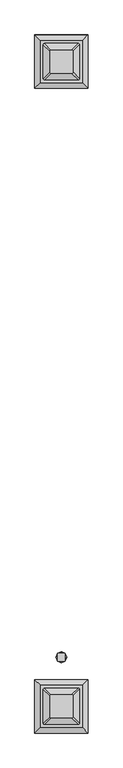
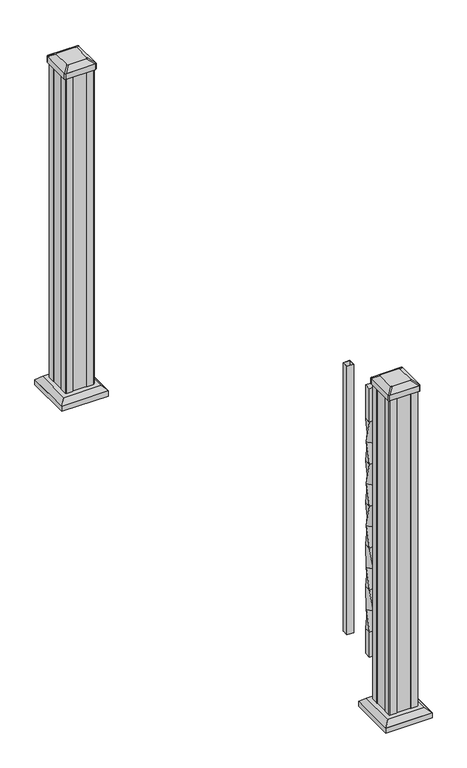
"""IFC4 building model written with IfcOpenShell, lengths in millimetres: railing geometry."""

from ifc_helpers import new_model, si_unit, point, frame, frame_2d, origin, origin_with_axes, place, context, project, spatial, polyline, circle_curve, trimmed, segment, composite_curve, outline, extrude, faceted_brep, source, transform, mapped, element, save
from ifc_brep_helpers import plane_surface, extruded_surface, spline_surface, advanced_brep


def railing_e0962681(model_context):
    return source(origin(), model_context, "Body", "SolidModel", [
        extrude(outline(polyline([(37142.2176098, 31810.4105744), (37142.2176098, 31829.4605744), (37161.2676098, 31829.4605744), (37161.2676098, 31810.4105744), (37142.2176098, 31810.4105744)]), holes=[polyline([(37142.6144848, 31810.8074494), (37160.8707348, 31810.8074494), (37160.8707348, 31829.0636994), (37142.6144848, 31829.0636994), (37142.6144848, 31810.8074494)])]), frame((0.0, 0.0, 101.5958781), z_axis=(0.0, 0.0, 1.0), x_axis=(1.0, 0.0, 0.0)), (0.0, 0.0, 1.0), 812.8041219),
        advanced_brep(
        [(37142.2176098, 31718.3355744, 812.7958781), (37142.2176098, 31699.2855744, 812.7958781), (37161.2676098, 31699.2855744, 812.7958781), (37161.2676098, 31718.3355744, 812.7958781), (37151.7426098, 31722.2809585, 749.2958781), (37165.212994, 31708.8105744, 749.2958781), (37151.7426098, 31695.3401902, 749.2958781), (37138.2722256, 31708.8105744, 749.2958781)],
        [
            (0, 1),
            (1, 2),
            (2, 3),
            (3, 0),
            (4, 5),
            (5, 6),
            (6, 7),
            (7, 4),
            (7, 1),
            (0, 4),
            (6, 2),
            (5, 3),
        ],
        [
            plane_surface(frame((37151.7426098, 31708.8105744, 812.7958781), z_axis=(0.0, 0.0, 1.0), x_axis=(1.0, 0.0, 0.0))),
            plane_surface(frame((37151.7426098, 31708.8105744, 749.2958781), z_axis=(0.0, 0.0, -1.0), x_axis=(1.0, 0.0, 0.0))),
            spline_surface(1, 1, [[(37151.7426098, 31722.2809585, 749.2958781), (37142.2176098, 31718.3355744, 812.7958781)], [(37138.2722256, 31708.8105744, 749.2958781), (37142.2176098, 31699.2855744, 812.7958781)]], [2, 2], [2, 2], [0.0, 1.0], [0.0, 1.0]),
            spline_surface(1, 1, [[(37138.2722256, 31708.8105744, 749.2958781), (37142.2176098, 31699.2855744, 812.7958781)], [(37151.7426098, 31695.3401902, 749.2958781), (37161.2676098, 31699.2855744, 812.7958781)]], [2, 2], [2, 2], [0.0, 1.0], [0.0, 1.0]),
            spline_surface(1, 1, [[(37151.7426098, 31695.3401902, 749.2958781), (37161.2676098, 31699.2855744, 812.7958781)], [(37165.212994, 31708.8105744, 749.2958781), (37161.2676098, 31718.3355744, 812.7958781)]], [2, 2], [2, 2], [0.0, 1.0], [0.0, 1.0]),
            spline_surface(1, 1, [[(37165.212994, 31708.8105744, 749.2958781), (37161.2676098, 31718.3355744, 812.7958781)], [(37151.7426098, 31722.2809585, 749.2958781), (37142.2176098, 31718.3355744, 812.7958781)]], [2, 2], [2, 2], [0.0, 1.0], [0.0, 1.0]),
        ],
        [
            (0, [[1, 2, 3, 4]]),
            (1, [[5, 6, 7, 8]]),
            (2, [[-8, 9, -1, 10]]),
            (3, [[-7, 11, -2, -9]]),
            (4, [[-6, 12, -3, -11]]),
            (5, [[-5, -10, -4, -12]]),
        ],
    ),
        advanced_brep(
        [(37138.2722256, 31708.8105744, 749.2958781), (37151.7426098, 31695.3401902, 749.2958781), (37165.212994, 31708.8105744, 749.2958781), (37151.7426098, 31722.2809585, 749.2958781), (37142.2176098, 31699.2855744, 685.7958781), (37142.2176098, 31718.3355744, 685.7958781), (37161.2676098, 31718.3355744, 685.7958781), (37161.2676098, 31699.2855744, 685.7958781)],
        [
            (0, 1),
            (1, 2),
            (2, 3),
            (3, 0),
            (4, 5),
            (5, 6),
            (6, 7),
            (7, 4),
            (7, 1),
            (0, 4),
            (6, 2),
            (5, 3),
        ],
        [
            plane_surface(frame((37151.7426098, 31708.8105744, 749.2958781), z_axis=(0.0, 0.0, 1.0), x_axis=(-0.7071067811865475, -0.7071067811865476, 0.0))),
            plane_surface(frame((37151.7426098, 31708.8105744, 685.7958781), z_axis=(0.0, 0.0, -1.0), x_axis=(-0.7071067811865475, -0.7071067811865476, 0.0))),
            spline_surface(1, 1, [[(37142.2176098, 31699.2855744, 685.7958781), (37138.2722256, 31708.8105744, 749.2958781)], [(37161.2676098, 31699.2855744, 685.7958781), (37151.7426098, 31695.3401902, 749.2958781)]], [2, 2], [2, 2], [0.0, 1.0], [0.0, 1.0]),
            spline_surface(1, 1, [[(37161.2676098, 31699.2855744, 685.7958781), (37151.7426098, 31695.3401902, 749.2958781)], [(37161.2676098, 31718.3355744, 685.7958781), (37165.212994, 31708.8105744, 749.2958781)]], [2, 2], [2, 2], [0.0, 1.0], [0.0, 1.0]),
            spline_surface(1, 1, [[(37161.2676098, 31718.3355744, 685.7958781), (37165.212994, 31708.8105744, 749.2958781)], [(37142.2176098, 31718.3355744, 685.7958781), (37151.7426098, 31722.2809585, 749.2958781)]], [2, 2], [2, 2], [0.0, 1.0], [0.0, 1.0]),
            spline_surface(1, 1, [[(37142.2176098, 31718.3355744, 685.7958781), (37151.7426098, 31722.2809585, 749.2958781)], [(37142.2176098, 31699.2855744, 685.7958781), (37138.2722256, 31708.8105744, 749.2958781)]], [2, 2], [2, 2], [0.0, 1.0], [0.0, 1.0]),
        ],
        [
            (0, [[1, 2, 3, 4]]),
            (1, [[5, 6, 7, 8]]),
            (2, [[-8, 9, -1, 10]]),
            (3, [[-7, 11, -2, -9]]),
            (4, [[-6, 12, -3, -11]]),
            (5, [[-5, -10, -4, -12]]),
        ],
    ),
        advanced_brep(
        [(37142.2176098, 31718.3355744, 685.7958781), (37142.2176098, 31699.2855744, 685.7958781), (37161.2676098, 31699.2855744, 685.7958781), (37161.2676098, 31718.3355744, 685.7958781), (37151.7426098, 31722.2809585, 622.2958781), (37165.212994, 31708.8105744, 622.2958781), (37151.7426098, 31695.3401902, 622.2958781), (37138.2722256, 31708.8105744, 622.2958781)],
        [
            (0, 1),
            (1, 2),
            (2, 3),
            (3, 0),
            (4, 5),
            (5, 6),
            (6, 7),
            (7, 4),
            (7, 1),
            (0, 4),
            (6, 2),
            (5, 3),
        ],
        [
            plane_surface(frame((37151.7426098, 31708.8105744, 685.7958781), z_axis=(0.0, 0.0, 1.0), x_axis=(1.0, 0.0, 0.0))),
            plane_surface(frame((37151.7426098, 31708.8105744, 622.2958781), z_axis=(0.0, 0.0, -1.0), x_axis=(1.0, 0.0, 0.0))),
            spline_surface(1, 1, [[(37151.7426098, 31722.2809585, 622.2958781), (37142.2176098, 31718.3355744, 685.7958781)], [(37138.2722256, 31708.8105744, 622.2958781), (37142.2176098, 31699.2855744, 685.7958781)]], [2, 2], [2, 2], [0.0, 1.0], [0.0, 1.0]),
            spline_surface(1, 1, [[(37138.2722256, 31708.8105744, 622.2958781), (37142.2176098, 31699.2855744, 685.7958781)], [(37151.7426098, 31695.3401902, 622.2958781), (37161.2676098, 31699.2855744, 685.7958781)]], [2, 2], [2, 2], [0.0, 1.0], [0.0, 1.0]),
            spline_surface(1, 1, [[(37151.7426098, 31695.3401902, 622.2958781), (37161.2676098, 31699.2855744, 685.7958781)], [(37165.212994, 31708.8105744, 622.2958781), (37161.2676098, 31718.3355744, 685.7958781)]], [2, 2], [2, 2], [0.0, 1.0], [0.0, 1.0]),
            spline_surface(1, 1, [[(37165.212994, 31708.8105744, 622.2958781), (37161.2676098, 31718.3355744, 685.7958781)], [(37151.7426098, 31722.2809585, 622.2958781), (37142.2176098, 31718.3355744, 685.7958781)]], [2, 2], [2, 2], [0.0, 1.0], [0.0, 1.0]),
        ],
        [
            (0, [[1, 2, 3, 4]]),
            (1, [[5, 6, 7, 8]]),
            (2, [[-8, 9, -1, 10]]),
            (3, [[-7, 11, -2, -9]]),
            (4, [[-6, 12, -3, -11]]),
            (5, [[-5, -10, -4, -12]]),
        ],
    ),
        advanced_brep(
        [(37138.2722256, 31708.8105744, 622.2958781), (37151.7426098, 31695.3401902, 622.2958781), (37165.212994, 31708.8105744, 622.2958781), (37151.7426098, 31722.2809585, 622.2958781), (37142.2176098, 31699.2855744, 558.7958781), (37142.2176098, 31718.3355744, 558.7958781), (37161.2676098, 31718.3355744, 558.7958781), (37161.2676098, 31699.2855744, 558.7958781)],
        [
            (0, 1),
            (1, 2),
            (2, 3),
            (3, 0),
            (4, 5),
            (5, 6),
            (6, 7),
            (7, 4),
            (7, 1),
            (0, 4),
            (6, 2),
            (5, 3),
        ],
        [
            plane_surface(frame((37151.7426098, 31708.8105744, 622.2958781), z_axis=(0.0, 0.0, 1.0), x_axis=(-0.7071067811865476, -0.7071067811865476, 0.0))),
            plane_surface(frame((37151.7426098, 31708.8105744, 558.7958781), z_axis=(0.0, 0.0, -1.0), x_axis=(-0.7071067811865476, -0.7071067811865476, 0.0))),
            spline_surface(1, 1, [[(37142.2176098, 31699.2855744, 558.7958781), (37138.2722256, 31708.8105744, 622.2958781)], [(37161.2676098, 31699.2855744, 558.7958781), (37151.7426098, 31695.3401902, 622.2958781)]], [2, 2], [2, 2], [0.0, 1.0], [0.0, 1.0]),
            spline_surface(1, 1, [[(37161.2676098, 31699.2855744, 558.7958781), (37151.7426098, 31695.3401902, 622.2958781)], [(37161.2676098, 31718.3355744, 558.7958781), (37165.212994, 31708.8105744, 622.2958781)]], [2, 2], [2, 2], [0.0, 1.0], [0.0, 1.0]),
            spline_surface(1, 1, [[(37161.2676098, 31718.3355744, 558.7958781), (37165.212994, 31708.8105744, 622.2958781)], [(37142.2176098, 31718.3355744, 558.7958781), (37151.7426098, 31722.2809585, 622.2958781)]], [2, 2], [2, 2], [0.0, 1.0], [0.0, 1.0]),
            spline_surface(1, 1, [[(37142.2176098, 31718.3355744, 558.7958781), (37151.7426098, 31722.2809585, 622.2958781)], [(37142.2176098, 31699.2855744, 558.7958781), (37138.2722256, 31708.8105744, 622.2958781)]], [2, 2], [2, 2], [0.0, 1.0], [0.0, 1.0]),
        ],
        [
            (0, [[1, 2, 3, 4]]),
            (1, [[5, 6, 7, 8]]),
            (2, [[-8, 9, -1, 10]]),
            (3, [[-7, 11, -2, -9]]),
            (4, [[-6, 12, -3, -11]]),
            (5, [[-5, -10, -4, -12]]),
        ],
    ),
        advanced_brep(
        [(37142.2176098, 31718.3355744, 558.7958781), (37142.2176098, 31699.2855744, 558.7958781), (37161.2676098, 31699.2855744, 558.7958781), (37161.2676098, 31718.3355744, 558.7958781), (37151.7426098, 31722.2809585, 495.2958781), (37165.212994, 31708.8105744, 495.2958781), (37151.7426098, 31695.3401902, 495.2958781), (37138.2722256, 31708.8105744, 495.2958781)],
        [
            (0, 1),
            (1, 2),
            (2, 3),
            (3, 0),
            (4, 5),
            (5, 6),
            (6, 7),
            (7, 4),
            (7, 1),
            (0, 4),
            (6, 2),
            (5, 3),
        ],
        [
            plane_surface(frame((37151.7426098, 31708.8105744, 558.7958781), z_axis=(0.0, 0.0, 1.0), x_axis=(1.0, 0.0, 0.0))),
            plane_surface(frame((37151.7426098, 31708.8105744, 495.2958781), z_axis=(0.0, 0.0, -1.0), x_axis=(1.0, 0.0, 0.0))),
            spline_surface(1, 1, [[(37151.7426098, 31722.2809585, 495.2958781), (37142.2176098, 31718.3355744, 558.7958781)], [(37138.2722256, 31708.8105744, 495.2958781), (37142.2176098, 31699.2855744, 558.7958781)]], [2, 2], [2, 2], [0.0, 1.0], [0.0, 1.0]),
            spline_surface(1, 1, [[(37138.2722256, 31708.8105744, 495.2958781), (37142.2176098, 31699.2855744, 558.7958781)], [(37151.7426098, 31695.3401902, 495.2958781), (37161.2676098, 31699.2855744, 558.7958781)]], [2, 2], [2, 2], [0.0, 1.0], [0.0, 1.0]),
            spline_surface(1, 1, [[(37151.7426098, 31695.3401902, 495.2958781), (37161.2676098, 31699.2855744, 558.7958781)], [(37165.212994, 31708.8105744, 495.2958781), (37161.2676098, 31718.3355744, 558.7958781)]], [2, 2], [2, 2], [0.0, 1.0], [0.0, 1.0]),
            spline_surface(1, 1, [[(37165.212994, 31708.8105744, 495.2958781), (37161.2676098, 31718.3355744, 558.7958781)], [(37151.7426098, 31722.2809585, 495.2958781), (37142.2176098, 31718.3355744, 558.7958781)]], [2, 2], [2, 2], [0.0, 1.0], [0.0, 1.0]),
        ],
        [
            (0, [[1, 2, 3, 4]]),
            (1, [[5, 6, 7, 8]]),
            (2, [[-8, 9, -1, 10]]),
            (3, [[-7, 11, -2, -9]]),
            (4, [[-6, 12, -3, -11]]),
            (5, [[-5, -10, -4, -12]]),
        ],
    ),
        advanced_brep(
        [(37138.2722256, 31708.8105744, 495.2958781), (37151.7426098, 31695.3401902, 495.2958781), (37165.212994, 31708.8105744, 495.2958781), (37151.7426098, 31722.2809585, 495.2958781), (37142.2176098, 31699.2855744, 431.7958781), (37142.2176098, 31718.3355744, 431.7958781), (37161.2676098, 31718.3355744, 431.7958781), (37161.2676098, 31699.2855744, 431.7958781)],
        [
            (0, 1),
            (1, 2),
            (2, 3),
            (3, 0),
            (4, 5),
            (5, 6),
            (6, 7),
            (7, 4),
            (7, 1),
            (0, 4),
            (6, 2),
            (5, 3),
        ],
        [
            plane_surface(frame((37151.7426098, 31708.8105744, 495.2958781), z_axis=(0.0, 0.0, 1.0), x_axis=(-0.7071067811865475, -0.7071067811865476, 0.0))),
            plane_surface(frame((37151.7426098, 31708.8105744, 431.7958781), z_axis=(0.0, 0.0, -1.0), x_axis=(-0.7071067811865475, -0.7071067811865476, 0.0))),
            spline_surface(1, 1, [[(37142.2176098, 31699.2855744, 431.7958781), (37138.2722256, 31708.8105744, 495.2958781)], [(37161.2676098, 31699.2855744, 431.7958781), (37151.7426098, 31695.3401902, 495.2958781)]], [2, 2], [2, 2], [0.0, 1.0], [0.0, 1.0]),
            spline_surface(1, 1, [[(37161.2676098, 31699.2855744, 431.7958781), (37151.7426098, 31695.3401902, 495.2958781)], [(37161.2676098, 31718.3355744, 431.7958781), (37165.212994, 31708.8105744, 495.2958781)]], [2, 2], [2, 2], [0.0, 1.0], [0.0, 1.0]),
            spline_surface(1, 1, [[(37161.2676098, 31718.3355744, 431.7958781), (37165.212994, 31708.8105744, 495.2958781)], [(37142.2176098, 31718.3355744, 431.7958781), (37151.7426098, 31722.2809585, 495.2958781)]], [2, 2], [2, 2], [0.0, 1.0], [0.0, 1.0]),
            spline_surface(1, 1, [[(37142.2176098, 31718.3355744, 431.7958781), (37151.7426098, 31722.2809585, 495.2958781)], [(37142.2176098, 31699.2855744, 431.7958781), (37138.2722256, 31708.8105744, 495.2958781)]], [2, 2], [2, 2], [0.0, 1.0], [0.0, 1.0]),
        ],
        [
            (0, [[1, 2, 3, 4]]),
            (1, [[5, 6, 7, 8]]),
            (2, [[-8, 9, -1, 10]]),
            (3, [[-7, 11, -2, -9]]),
            (4, [[-6, 12, -3, -11]]),
            (5, [[-5, -10, -4, -12]]),
        ],
    ),
        advanced_brep(
        [(37142.2176098, 31699.2855744, 431.7958781), (37161.2676098, 31699.2855744, 431.7958781), (37161.2676098, 31718.3355744, 431.7958781), (37142.2176098, 31718.3355744, 431.7958781), (37151.7426098, 31695.3401902, 368.2958781), (37138.2722256, 31708.8105744, 368.2958781), (37151.7426098, 31722.2809585, 368.2958781), (37165.212994, 31708.8105744, 368.2958781)],
        [
            (0, 1),
            (1, 2),
            (2, 3),
            (3, 0),
            (4, 5),
            (5, 6),
            (6, 7),
            (7, 4),
            (7, 1),
            (0, 4),
            (6, 2),
            (5, 3),
        ],
        [
            plane_surface(frame((37151.7426098, 31708.8105744, 431.7958781), z_axis=(0.0, 0.0, 1.0), x_axis=(1.0, 0.0, 0.0))),
            plane_surface(frame((37151.7426098, 31708.8105744, 368.2958781), z_axis=(0.0, 0.0, -1.0), x_axis=(1.0, 0.0, 0.0))),
            spline_surface(1, 1, [[(37151.7426098, 31695.3401902, 368.2958781), (37142.2176098, 31699.2855744, 431.7958781)], [(37165.212994, 31708.8105744, 368.2958781), (37161.2676098, 31699.2855744, 431.7958781)]], [2, 2], [2, 2], [0.0, 1.0], [0.0, 1.0]),
            spline_surface(1, 1, [[(37165.212994, 31708.8105744, 368.2958781), (37161.2676098, 31699.2855744, 431.7958781)], [(37151.7426098, 31722.2809585, 368.2958781), (37161.2676098, 31718.3355744, 431.7958781)]], [2, 2], [2, 2], [0.0, 1.0], [0.0, 1.0]),
            spline_surface(1, 1, [[(37151.7426098, 31722.2809585, 368.2958781), (37161.2676098, 31718.3355744, 431.7958781)], [(37138.2722256, 31708.8105744, 368.2958781), (37142.2176098, 31718.3355744, 431.7958781)]], [2, 2], [2, 2], [0.0, 1.0], [0.0, 1.0]),
            spline_surface(1, 1, [[(37138.2722256, 31708.8105744, 368.2958781), (37142.2176098, 31718.3355744, 431.7958781)], [(37151.7426098, 31695.3401902, 368.2958781), (37142.2176098, 31699.2855744, 431.7958781)]], [2, 2], [2, 2], [0.0, 1.0], [0.0, 1.0]),
        ],
        [
            (0, [[1, 2, 3, 4]]),
            (1, [[5, 6, 7, 8]]),
            (2, [[-8, 9, -1, 10]]),
            (3, [[-7, 11, -2, -9]]),
            (4, [[-6, 12, -3, -11]]),
            (5, [[-5, -10, -4, -12]]),
        ],
    ),
        advanced_brep(
        [(37138.2722256, 31708.8105744, 368.2958781), (37151.7426098, 31695.3401902, 368.2958781), (37165.212994, 31708.8105744, 368.2958781), (37151.7426098, 31722.2809585, 368.2958781), (37142.2176098, 31699.2855744, 304.7958781), (37142.2176098, 31718.3355744, 304.7958781), (37161.2676098, 31718.3355744, 304.7958781), (37161.2676098, 31699.2855744, 304.7958781)],
        [
            (0, 1),
            (1, 2),
            (2, 3),
            (3, 0),
            (4, 5),
            (5, 6),
            (6, 7),
            (7, 4),
            (7, 1),
            (0, 4),
            (6, 2),
            (5, 3),
        ],
        [
            plane_surface(frame((37151.7426098, 31708.8105744, 368.2958781), z_axis=(0.0, 0.0, 1.0), x_axis=(-0.7071067811865476, -0.7071067811865476, 0.0))),
            plane_surface(frame((37151.7426098, 31708.8105744, 304.7958781), z_axis=(0.0, 0.0, -1.0), x_axis=(-0.7071067811865476, -0.7071067811865476, 0.0))),
            spline_surface(1, 1, [[(37142.2176098, 31699.2855744, 304.7958781), (37138.2722256, 31708.8105744, 368.2958781)], [(37161.2676098, 31699.2855744, 304.7958781), (37151.7426098, 31695.3401902, 368.2958781)]], [2, 2], [2, 2], [0.0, 1.0], [0.0, 1.0]),
            spline_surface(1, 1, [[(37161.2676098, 31699.2855744, 304.7958781), (37151.7426098, 31695.3401902, 368.2958781)], [(37161.2676098, 31718.3355744, 304.7958781), (37165.212994, 31708.8105744, 368.2958781)]], [2, 2], [2, 2], [0.0, 1.0], [0.0, 1.0]),
            spline_surface(1, 1, [[(37161.2676098, 31718.3355744, 304.7958781), (37165.212994, 31708.8105744, 368.2958781)], [(37142.2176098, 31718.3355744, 304.7958781), (37151.7426098, 31722.2809585, 368.2958781)]], [2, 2], [2, 2], [0.0, 1.0], [0.0, 1.0]),
            spline_surface(1, 1, [[(37142.2176098, 31718.3355744, 304.7958781), (37151.7426098, 31722.2809585, 368.2958781)], [(37142.2176098, 31699.2855744, 304.7958781), (37138.2722256, 31708.8105744, 368.2958781)]], [2, 2], [2, 2], [0.0, 1.0], [0.0, 1.0]),
        ],
        [
            (0, [[1, 2, 3, 4]]),
            (1, [[5, 6, 7, 8]]),
            (2, [[-8, 9, -1, 10]]),
            (3, [[-7, 11, -2, -9]]),
            (4, [[-6, 12, -3, -11]]),
            (5, [[-5, -10, -4, -12]]),
        ],
    ),
        advanced_brep(
        [(37142.2176098, 31699.2855744, 304.7958781), (37161.2676098, 31699.2855744, 304.7958781), (37161.2676098, 31718.3355744, 304.7958781), (37142.2176098, 31718.3355744, 304.7958781), (37151.7426098, 31695.3401902, 241.2958781), (37138.2722256, 31708.8105744, 241.2958781), (37151.7426098, 31722.2809585, 241.2958781), (37165.212994, 31708.8105744, 241.2958781)],
        [
            (0, 1),
            (1, 2),
            (2, 3),
            (3, 0),
            (4, 5),
            (5, 6),
            (6, 7),
            (7, 4),
            (7, 1),
            (0, 4),
            (6, 2),
            (5, 3),
        ],
        [
            plane_surface(frame((37151.7426098, 31708.8105744, 304.7958781), z_axis=(0.0, 0.0, 1.0), x_axis=(1.0, 0.0, 0.0))),
            plane_surface(frame((37151.7426098, 31708.8105744, 241.2958781), z_axis=(0.0, 0.0, -1.0), x_axis=(1.0, 0.0, 0.0))),
            spline_surface(1, 1, [[(37151.7426098, 31695.3401902, 241.2958781), (37142.2176098, 31699.2855744, 304.7958781)], [(37165.212994, 31708.8105744, 241.2958781), (37161.2676098, 31699.2855744, 304.7958781)]], [2, 2], [2, 2], [0.0, 1.0], [0.0, 1.0]),
            spline_surface(1, 1, [[(37165.212994, 31708.8105744, 241.2958781), (37161.2676098, 31699.2855744, 304.7958781)], [(37151.7426098, 31722.2809585, 241.2958781), (37161.2676098, 31718.3355744, 304.7958781)]], [2, 2], [2, 2], [0.0, 1.0], [0.0, 1.0]),
            spline_surface(1, 1, [[(37151.7426098, 31722.2809585, 241.2958781), (37161.2676098, 31718.3355744, 304.7958781)], [(37138.2722256, 31708.8105744, 241.2958781), (37142.2176098, 31718.3355744, 304.7958781)]], [2, 2], [2, 2], [0.0, 1.0], [0.0, 1.0]),
            spline_surface(1, 1, [[(37138.2722256, 31708.8105744, 241.2958781), (37142.2176098, 31718.3355744, 304.7958781)], [(37151.7426098, 31695.3401902, 241.2958781), (37142.2176098, 31699.2855744, 304.7958781)]], [2, 2], [2, 2], [0.0, 1.0], [0.0, 1.0]),
        ],
        [
            (0, [[1, 2, 3, 4]]),
            (1, [[5, 6, 7, 8]]),
            (2, [[-8, 9, -1, 10]]),
            (3, [[-7, 11, -2, -9]]),
            (4, [[-6, 12, -3, -11]]),
            (5, [[-5, -10, -4, -12]]),
        ],
    ),
        advanced_brep(
        [(37138.2722256, 31708.8105744, 241.2958781), (37151.7426098, 31695.3401902, 241.2958781), (37165.212994, 31708.8105744, 241.2958781), (37151.7426098, 31722.2809585, 241.2958781), (37142.2176098, 31699.2855744, 177.7958781), (37142.2176098, 31718.3355744, 177.7958781), (37161.2676098, 31718.3355744, 177.7958781), (37161.2676098, 31699.2855744, 177.7958781)],
        [
            (0, 1),
            (1, 2),
            (2, 3),
            (3, 0),
            (4, 5),
            (5, 6),
            (6, 7),
            (7, 4),
            (7, 1),
            (0, 4),
            (6, 2),
            (5, 3),
        ],
        [
            plane_surface(frame((37151.7426098, 31708.8105744, 241.2958781), z_axis=(0.0, 0.0, 1.0), x_axis=(0.7071067811865472, -0.7071067811865479, 0.0))),
            plane_surface(frame((37151.7426098, 31708.8105744, 177.7958781), z_axis=(0.0, 0.0, -1.0), x_axis=(0.7071067811865472, -0.7071067811865479, 0.0))),
            spline_surface(1, 1, [[(37142.2176098, 31699.2855744, 177.7958781), (37138.2722256, 31708.8105744, 241.2958781)], [(37161.2676098, 31699.2855744, 177.7958781), (37151.7426098, 31695.3401902, 241.2958781)]], [2, 2], [2, 2], [0.0, 1.0], [0.0, 1.0]),
            spline_surface(1, 1, [[(37161.2676098, 31699.2855744, 177.7958781), (37151.7426098, 31695.3401902, 241.2958781)], [(37161.2676098, 31718.3355744, 177.7958781), (37165.212994, 31708.8105744, 241.2958781)]], [2, 2], [2, 2], [0.0, 1.0], [0.0, 1.0]),
            spline_surface(1, 1, [[(37161.2676098, 31718.3355744, 177.7958781), (37165.212994, 31708.8105744, 241.2958781)], [(37142.2176098, 31718.3355744, 177.7958781), (37151.7426098, 31722.2809585, 241.2958781)]], [2, 2], [2, 2], [0.0, 1.0], [0.0, 1.0]),
            spline_surface(1, 1, [[(37142.2176098, 31718.3355744, 177.7958781), (37151.7426098, 31722.2809585, 241.2958781)], [(37142.2176098, 31699.2855744, 177.7958781), (37138.2722256, 31708.8105744, 241.2958781)]], [2, 2], [2, 2], [0.0, 1.0], [0.0, 1.0]),
        ],
        [
            (0, [[1, 2, 3, 4]]),
            (1, [[5, 6, 7, 8]]),
            (2, [[-8, 9, -1, 10]]),
            (3, [[-7, 11, -2, -9]]),
            (4, [[-6, 12, -3, -11]]),
            (5, [[-5, -10, -4, -12]]),
        ],
    ),
        extrude(outline(polyline([(37142.2176098, 31699.2855744), (37142.2176098, 31718.3355744), (37161.2676098, 31718.3355744), (37161.2676098, 31699.2855744), (37142.2176098, 31699.2855744)])), frame((0.0, 0.0, 812.7958781), z_axis=(0.0, 0.0, 1.0), x_axis=(1.0, 0.0, 0.0)), (0.0, 0.0, 1.0), 101.6041219),
        extrude(outline(polyline([(37142.2176098, 31699.2855744), (37142.2176098, 31718.3355744), (37161.2676098, 31718.3355744), (37161.2676098, 31699.2855744), (37142.2176098, 31699.2855744)])), frame((0.0, 0.0, 101.5958781), z_axis=(0.0, 0.0, 1.0), x_axis=(1.0, 0.0, 0.0)), (0.0, 0.0, 1.0), 76.2),
        faceted_brep([(37099.1566723, 33140.5371369, 28.575), (37204.3285473, 33140.5371369, 28.575), (37204.3285473, 33245.7090119, 28.575), (37099.1566723, 33245.7090119, 28.575), (37085.1172192, 33126.4976837, 15.24), (37085.1172192, 33259.748465, 15.24), (37218.3680004, 33259.748465, 15.24), (37218.3680004, 33126.4976837, 15.24)], [[[0, 1, 2, 3]], [[4, 5, 6, 7]], [[4, 7, 1, 0]], [[7, 6, 2, 1]], [[6, 5, 3, 2]], [[5, 4, 0, 3]]]),
        extrude(outline(polyline([(37085.1172192, 33126.4976837), (37085.1172192, 33259.748465), (37218.3680004, 33259.748465), (37218.3680004, 33126.4976837), (37085.1172192, 33126.4976837)])), origin_with_axes(), (0.0, 0.0, 1.0), 15.24),
        advanced_brep(
        [(37177.5394848, 33164.1511994, 1012.825), (37180.7144848, 33167.3261994, 1012.825), (37180.7144848, 33218.9199494, 1012.825), (37177.5394848, 33222.0949494, 1012.825), (37125.9457348, 33222.0949494, 1012.825), (37122.7707348, 33218.9199494, 1012.825), (37122.7707348, 33167.3261994, 1012.825), (37125.9457348, 33164.1511994, 1012.825), (37193.8113598, 33147.8793244, 1001.522), (37109.6738598, 33147.8793244, 1001.522), (37106.4988598, 33151.0543244, 1001.522), (37106.4988598, 33235.1918244, 1001.522), (37109.6738598, 33238.3668244, 1001.522), (37193.8113598, 33238.3668244, 1001.522), (37196.9863598, 33235.1918244, 1001.522), (37196.9863598, 33151.0543244, 1001.522)],
        [
            (0, 1, circle_curve(frame((37177.5394848, 33167.3261994, 1012.825), z_axis=(0.0, 0.0, 1.0), x_axis=(0.0, 1.0, 0.0)), 3.175)),
            (1, 2),
            (2, 3, circle_curve(frame((37177.5394848, 33218.9199494, 1012.825), z_axis=(0.0, 0.0, 1.0), x_axis=(0.0, 1.0, 0.0)), 3.175)),
            (3, 4),
            (4, 5, circle_curve(frame((37125.9457348, 33218.9199494, 1012.825), z_axis=(0.0, 0.0, 1.0), x_axis=(0.0, 1.0, 0.0)), 3.175)),
            (5, 6),
            (6, 7, circle_curve(frame((37125.9457348, 33167.3261994, 1012.825), z_axis=(0.0, 0.0, 1.0), x_axis=(0.0, 1.0, 0.0)), 3.175)),
            (7, 0),
            (8, 9),
            (9, 10, circle_curve(frame((37109.6738598, 33151.0543244, 1001.522), z_axis=(0.0, 0.0, -1.0), x_axis=(0.0, 1.0, 0.0)), 3.175)),
            (10, 11),
            (11, 12, circle_curve(frame((37109.6738598, 33235.1918244, 1001.522), z_axis=(0.0, 0.0, -1.0), x_axis=(0.0, 1.0, 0.0)), 3.175)),
            (12, 13),
            (13, 14, circle_curve(frame((37193.8113598, 33235.1918244, 1001.522), z_axis=(0.0, 0.0, -1.0), x_axis=(0.0, 1.0, 0.0)), 3.175)),
            (14, 15),
            (15, 8, circle_curve(frame((37193.8113598, 33151.0543244, 1001.522), z_axis=(0.0, 0.0, -1.0), x_axis=(0.0, 1.0, 0.0)), 3.175)),
            (15, 1),
            (0, 8),
            (14, 2),
            (13, 3),
            (12, 4),
            (11, 5),
            (10, 6),
            (9, 7),
        ],
        [
            plane_surface(frame((37151.7426098, 33193.1230744, 1012.825), z_axis=(0.0, 0.0, 1.0), x_axis=(1.0, 0.0, 0.0))),
            plane_surface(frame((37151.7426098, 33193.1230744, 1001.522), z_axis=(0.0, 0.0, -1.0), x_axis=(1.0, 0.0, 0.0))),
            extruded_surface(trimmed(circle_curve(frame((37193.8113598, 33151.0543244, 1001.522), z_axis=(0.0, 0.0, 1.0), x_axis=(0.0, 1.0, 0.0)), 3.175), [point((37193.8113598, 33147.8793244, 1001.522))], [point((37196.9863598, 33151.0543244, 1001.522))], True, "CARTESIAN"), (-16.271874999998545, 16.271874999998545, 11.302999999999997), 25.637972638864316),
            plane_surface(frame((37196.9863598, 33193.1230744, 1001.522), z_axis=(0.5705009161540779, 0.0, 0.8212969649690408), x_axis=(0.0, 1.0, 0.0))),
            extruded_surface(trimmed(circle_curve(frame((37193.8113598, 33235.1918244, 1001.522), z_axis=(0.0, 0.0, 1.0), x_axis=(0.0, 1.0, 0.0)), 3.175), [point((37196.9863598, 33235.1918244, 1001.522))], [point((37193.8113598, 33238.3668244, 1001.522))], True, "CARTESIAN"), (-16.271874999998545, -16.271874999998545, 11.302999999999997), 25.637972638864316),
            plane_surface(frame((37151.7426098, 33238.3668244, 1001.522), z_axis=(0.0, 0.5705009161540291, 0.8212969649690747), x_axis=(-1.0, 0.0, 0.0))),
            extruded_surface(trimmed(circle_curve(frame((37109.6738598, 33235.1918244, 1001.522), z_axis=(0.0, 0.0, 1.0), x_axis=(0.0, 1.0, 0.0)), 3.175), [point((37109.6738598, 33238.3668244, 1001.522))], [point((37106.4988598, 33235.1918244, 1001.522))], True, "CARTESIAN"), (16.271874999998545, -16.271874999998545, 11.302999999999997), 25.637972638864316),
            plane_surface(frame((37106.4988598, 33193.1230744, 1001.522), z_axis=(-0.5705009161540141, 0.0, 0.8212969649690851), x_axis=(0.0, -1.0, 0.0))),
            extruded_surface(trimmed(circle_curve(frame((37109.6738598, 33151.0543244, 1001.522), z_axis=(0.0, 0.0, 1.0), x_axis=(0.0, 1.0, 0.0)), 3.175), [point((37106.4988598, 33151.0543244, 1001.522))], [point((37109.6738598, 33147.8793244, 1001.522))], True, "CARTESIAN"), (16.271874999998545, 16.271874999998545, 11.302999999999997), 25.637972638864316),
            plane_surface(frame((37151.7426098, 33147.8793244, 1001.522), z_axis=(0.0, -0.570500916154034, 0.8212969649690713), x_axis=(1.0, 0.0, 0.0))),
        ],
        [
            (0, [[1, 2, 3, 4, 5, 6, 7, 8]]),
            (1, [[9, 10, 11, 12, 13, 14, 15, 16]]),
            (2, [[-16, 17, -1, 18]]),
            (3, [[-15, 19, -2, -17]]),
            (4, [[-14, 20, -3, -19]]),
            (5, [[-13, 21, -4, -20]]),
            (6, [[-12, 22, -5, -21]]),
            (7, [[-11, 23, -6, -22]]),
            (8, [[-10, 24, -7, -23]]),
            (9, [[-9, -18, -8, -24]]),
        ],
    ),
        extrude(outline(composite_curve([segment(polyline([(37193.8113598, 33147.8793244), (37109.6738598, 33147.8793244)]), True, "CONTINUOUS"), segment(trimmed(circle_curve(frame_2d((37109.6738598, 33151.0543244)), 3.175), [point((37109.6738598, 33147.8793244))], [point((37106.4988598, 33151.0543244))], False, "CARTESIAN"), True, "CONTINUOUS"), segment(polyline([(37106.4988598, 33151.0543244), (37106.4988598, 33235.1918244)]), True, "CONTINUOUS"), segment(trimmed(circle_curve(frame_2d((37109.6738598, 33235.1918244)), 3.175), [point((37106.4988598, 33235.1918244))], [point((37109.6738598, 33238.3668244))], False, "CARTESIAN"), True, "CONTINUOUS"), segment(polyline([(37109.6738598, 33238.3668244), (37193.8113598, 33238.3668244)]), True, "CONTINUOUS"), segment(trimmed(circle_curve(frame_2d((37193.8113598, 33235.1918244)), 3.175), [point((37193.8113598, 33238.3668244))], [point((37196.9863598, 33235.1918244))], False, "CARTESIAN"), True, "CONTINUOUS"), segment(polyline([(37196.9863598, 33235.1918244), (37196.9863598, 33151.0543244)]), True, "CONTINUOUS"), segment(trimmed(circle_curve(frame_2d((37193.8113598, 33151.0543244)), 3.175), [point((37196.9863598, 33151.0543244))], [point((37193.8113598, 33147.8793244))], False, "CARTESIAN"), True, "CONTINUOUS")], self_intersect=False)), frame((0.0, 0.0, 984.25), z_axis=(0.0, 0.0, 1.0), x_axis=(1.0, 0.0, 0.0)), (0.0, 0.0, 1.0), 17.272),
        extrude(outline(polyline([(37191.4301098, 33151.8480744), (37171.8086098, 33151.8480744), (37171.0466098, 33153.4355744), (37132.4386098, 33153.4355744), (37131.6766098, 33151.8480744), (37112.0551098, 33151.8480744), (37110.4676098, 33153.4355744), (37110.4676098, 33173.0570744), (37112.0551098, 33173.8190744), (37112.0551098, 33212.4270744), (37110.4676098, 33213.1890744), (37110.4676098, 33232.8105744), (37112.0551098, 33234.3980744), (37131.6766098, 33234.3980744), (37132.4386098, 33232.8105744), (37171.0466098, 33232.8105744), (37171.8086098, 33234.3980744), (37191.4301098, 33234.3980744), (37193.0176098, 33232.8105744), (37193.0176098, 33213.1890744), (37191.4301098, 33212.4270744), (37191.4301098, 33173.8190744), (37193.0176098, 33173.0570744), (37193.0176098, 33153.4355744), (37191.4301098, 33151.8480744)])), origin_with_axes(), (0.0, 0.0, 1.0), 984.25),
        faceted_brep([(37099.1566723, 31533.9871369, 28.575), (37204.3285473, 31533.9871369, 28.575), (37204.3285473, 31639.1590119, 28.575), (37099.1566723, 31639.1590119, 28.575), (37085.1172192, 31519.9476837, 15.24), (37085.1172192, 31653.198465, 15.24), (37218.3680004, 31653.198465, 15.24), (37218.3680004, 31519.9476837, 15.24)], [[[0, 1, 2, 3]], [[4, 5, 6, 7]], [[4, 7, 1, 0]], [[7, 6, 2, 1]], [[6, 5, 3, 2]], [[5, 4, 0, 3]]]),
        extrude(outline(polyline([(37085.1172192, 31519.9476837), (37085.1172192, 31653.198465), (37218.3680004, 31653.198465), (37218.3680004, 31519.9476837), (37085.1172192, 31519.9476837)])), origin_with_axes(), (0.0, 0.0, 1.0), 15.24),
        advanced_brep(
        [(37177.5394848, 31557.6011994, 1012.825), (37180.7144848, 31560.7761994, 1012.825), (37180.7144848, 31612.3699494, 1012.825), (37177.5394848, 31615.5449494, 1012.825), (37125.9457348, 31615.5449494, 1012.825), (37122.7707348, 31612.3699494, 1012.825), (37122.7707348, 31560.7761994, 1012.825), (37125.9457348, 31557.6011994, 1012.825), (37193.8113598, 31541.3293244, 1001.522), (37109.6738598, 31541.3293244, 1001.522), (37106.4988598, 31544.5043244, 1001.522), (37106.4988598, 31628.6418244, 1001.522), (37109.6738598, 31631.8168244, 1001.522), (37193.8113598, 31631.8168244, 1001.522), (37196.9863598, 31628.6418244, 1001.522), (37196.9863598, 31544.5043244, 1001.522)],
        [
            (0, 1, circle_curve(frame((37177.5394848, 31560.7761994, 1012.825), z_axis=(0.0, 0.0, 1.0), x_axis=(0.0, 1.0, 0.0)), 3.175)),
            (1, 2),
            (2, 3, circle_curve(frame((37177.5394848, 31612.3699494, 1012.825), z_axis=(0.0, 0.0, 1.0), x_axis=(0.0, 1.0, 0.0)), 3.175)),
            (3, 4),
            (4, 5, circle_curve(frame((37125.9457348, 31612.3699494, 1012.825), z_axis=(0.0, 0.0, 1.0), x_axis=(0.0, 1.0, 0.0)), 3.175)),
            (5, 6),
            (6, 7, circle_curve(frame((37125.9457348, 31560.7761994, 1012.825), z_axis=(0.0, 0.0, 1.0), x_axis=(0.0, 1.0, 0.0)), 3.175)),
            (7, 0),
            (8, 9),
            (9, 10, circle_curve(frame((37109.6738598, 31544.5043244, 1001.522), z_axis=(0.0, 0.0, -1.0), x_axis=(0.0, 1.0, 0.0)), 3.175)),
            (10, 11),
            (11, 12, circle_curve(frame((37109.6738598, 31628.6418244, 1001.522), z_axis=(0.0, 0.0, -1.0), x_axis=(0.0, 1.0, 0.0)), 3.175)),
            (12, 13),
            (13, 14, circle_curve(frame((37193.8113598, 31628.6418244, 1001.522), z_axis=(0.0, 0.0, -1.0), x_axis=(0.0, 1.0, 0.0)), 3.175)),
            (14, 15),
            (15, 8, circle_curve(frame((37193.8113598, 31544.5043244, 1001.522), z_axis=(0.0, 0.0, -1.0), x_axis=(0.0, 1.0, 0.0)), 3.175)),
            (15, 1),
            (0, 8),
            (14, 2),
            (13, 3),
            (12, 4),
            (11, 5),
            (10, 6),
            (9, 7),
        ],
        [
            plane_surface(frame((37151.7426098, 31586.5730744, 1012.825), z_axis=(0.0, 0.0, 1.0), x_axis=(1.0, 0.0, 0.0))),
            plane_surface(frame((37151.7426098, 31586.5730744, 1001.522), z_axis=(0.0, 0.0, -1.0), x_axis=(1.0, 0.0, 0.0))),
            extruded_surface(trimmed(circle_curve(frame((37193.8113598, 31544.5043244, 1001.522), z_axis=(0.0, 0.0, 1.0), x_axis=(0.0, 1.0, 0.0)), 3.175), [point((37193.8113598, 31541.3293244, 1001.522))], [point((37196.9863598, 31544.5043244, 1001.522))], True, "CARTESIAN"), (-16.271874999998545, 16.271874999998545, 11.302999999999997), 25.637972638864316),
            plane_surface(frame((37196.9863598, 31586.5730744, 1001.522), z_axis=(0.5705009161540779, 0.0, 0.8212969649690408), x_axis=(0.0, 1.0, 0.0))),
            extruded_surface(trimmed(circle_curve(frame((37193.8113598, 31628.6418244, 1001.522), z_axis=(0.0, 0.0, 1.0), x_axis=(0.0, 1.0, 0.0)), 3.175), [point((37196.9863598, 31628.6418244, 1001.522))], [point((37193.8113598, 31631.8168244, 1001.522))], True, "CARTESIAN"), (-16.271874999998545, -16.271875000002183, 11.302999999999997), 25.63797263886662),
            plane_surface(frame((37151.7426098, 31631.8168244, 1001.522), z_axis=(0.0, 0.5705009161540291, 0.8212969649690747), x_axis=(-1.0, 0.0, 0.0))),
            extruded_surface(trimmed(circle_curve(frame((37109.6738598, 31628.6418244, 1001.522), z_axis=(0.0, 0.0, 1.0), x_axis=(0.0, 1.0, 0.0)), 3.175), [point((37109.6738598, 31631.8168244, 1001.522))], [point((37106.4988598, 31628.6418244, 1001.522))], True, "CARTESIAN"), (16.271874999998545, -16.271875000002183, 11.302999999999997), 25.63797263886662),
            plane_surface(frame((37106.4988598, 31586.5730744, 1001.522), z_axis=(-0.5705009161540141, 0.0, 0.8212969649690851), x_axis=(0.0, -1.0, 0.0))),
            extruded_surface(trimmed(circle_curve(frame((37109.6738598, 31544.5043244, 1001.522), z_axis=(0.0, 0.0, 1.0), x_axis=(0.0, 1.0, 0.0)), 3.175), [point((37106.4988598, 31544.5043244, 1001.522))], [point((37109.6738598, 31541.3293244, 1001.522))], True, "CARTESIAN"), (16.271874999998545, 16.271874999998545, 11.302999999999997), 25.637972638864316),
            plane_surface(frame((37151.7426098, 31541.3293244, 1001.522), z_axis=(0.0, -0.570500916154034, 0.8212969649690713), x_axis=(1.0, 0.0, 0.0))),
        ],
        [
            (0, [[1, 2, 3, 4, 5, 6, 7, 8]]),
            (1, [[9, 10, 11, 12, 13, 14, 15, 16]]),
            (2, [[-16, 17, -1, 18]]),
            (3, [[-15, 19, -2, -17]]),
            (4, [[-14, 20, -3, -19]]),
            (5, [[-13, 21, -4, -20]]),
            (6, [[-12, 22, -5, -21]]),
            (7, [[-11, 23, -6, -22]]),
            (8, [[-10, 24, -7, -23]]),
            (9, [[-9, -18, -8, -24]]),
        ],
    ),
        extrude(outline(composite_curve([segment(polyline([(37193.8113598, 31541.3293244), (37109.6738598, 31541.3293244)]), True, "CONTINUOUS"), segment(trimmed(circle_curve(frame_2d((37109.6738598, 31544.5043244)), 3.175), [point((37109.6738598, 31541.3293244))], [point((37106.4988598, 31544.5043244))], False, "CARTESIAN"), True, "CONTINUOUS"), segment(polyline([(37106.4988598, 31544.5043244), (37106.4988598, 31628.6418244)]), True, "CONTINUOUS"), segment(trimmed(circle_curve(frame_2d((37109.6738598, 31628.6418244)), 3.175), [point((37106.4988598, 31628.6418244))], [point((37109.6738598, 31631.8168244))], False, "CARTESIAN"), True, "CONTINUOUS"), segment(polyline([(37109.6738598, 31631.8168244), (37193.8113598, 31631.8168244)]), True, "CONTINUOUS"), segment(trimmed(circle_curve(frame_2d((37193.8113598, 31628.6418244)), 3.175), [point((37193.8113598, 31631.8168244))], [point((37196.9863598, 31628.6418244))], False, "CARTESIAN"), True, "CONTINUOUS"), segment(polyline([(37196.9863598, 31628.6418244), (37196.9863598, 31544.5043244)]), True, "CONTINUOUS"), segment(trimmed(circle_curve(frame_2d((37193.8113598, 31544.5043244)), 3.175), [point((37196.9863598, 31544.5043244))], [point((37193.8113598, 31541.3293244))], False, "CARTESIAN"), True, "CONTINUOUS")], self_intersect=False)), frame((0.0, 0.0, 984.25), z_axis=(0.0, 0.0, 1.0), x_axis=(1.0, 0.0, 0.0)), (0.0, 0.0, 1.0), 17.272),
        extrude(outline(polyline([(37191.4301098, 31545.2980744), (37171.8086098, 31545.2980744), (37171.0466098, 31546.8855744), (37132.4386098, 31546.8855744), (37131.6766098, 31545.2980744), (37112.0551098, 31545.2980744), (37110.4676098, 31546.8855744), (37110.4676098, 31566.5070744), (37112.0551098, 31567.2690744), (37112.0551098, 31605.8770744), (37110.4676098, 31606.6390744), (37110.4676098, 31626.2605744), (37112.0551098, 31627.8480744), (37131.6766098, 31627.8480744), (37132.4386098, 31626.2605744), (37171.0466098, 31626.2605744), (37171.8086098, 31627.8480744), (37191.4301098, 31627.8480744), (37193.0176098, 31626.2605744), (37193.0176098, 31606.6390744), (37191.4301098, 31605.8770744), (37191.4301098, 31567.2690744), (37193.0176098, 31566.5070744), (37193.0176098, 31546.8855744), (37191.4301098, 31545.2980744)])), origin_with_axes(), (0.0, 0.0, 1.0), 984.25),
    ])


if __name__ == "__main__":
    model = new_model("IFC4")
    model_context = context("Model", 3, world=origin())
    ifc_project = project(units=[si_unit("LENGTHUNIT", "METRE", prefix="MILLI")], contexts=[model_context])
    site = spatial("IfcSite", under=ifc_project)
    building = spatial("IfcBuilding", under=site)
    placement = place(None, origin())
    railing_shape = railing_e0962681(model_context)
    element("IfcRailing", 1, at=placement, inside=building, context=model_context, shape_type="MappedRepresentation", body=[
        mapped(railing_shape, transform((0.0, 0.0, 0.0), x_axis=(1.0, 0.0, 0.0), y_axis=(0.0, 1.0, 0.0), z_axis=(0.0, 0.0, 1.0))),
    ])
    save(model, "model.ifc")
